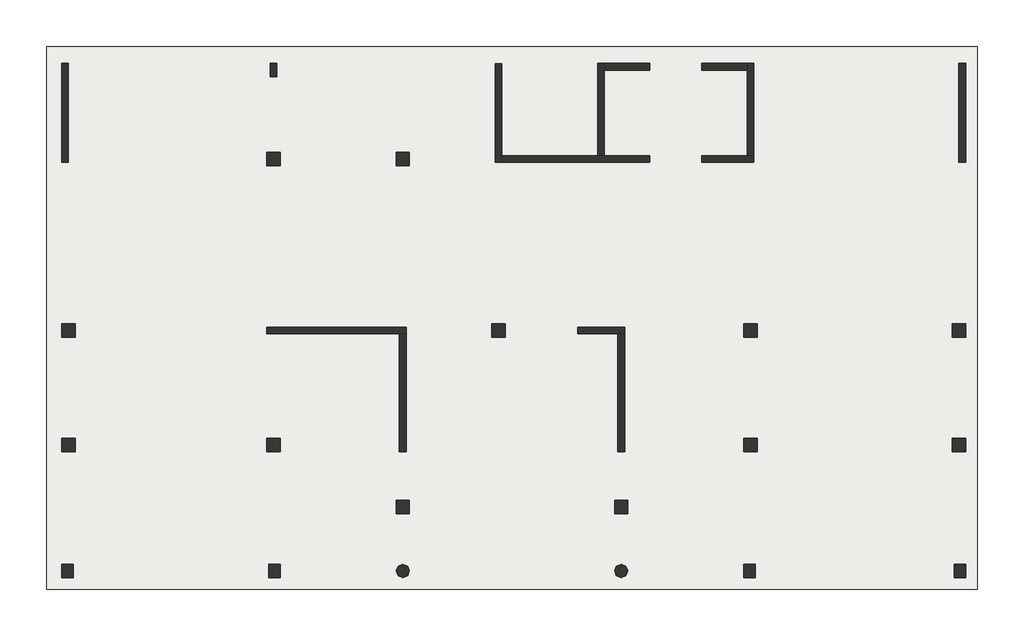
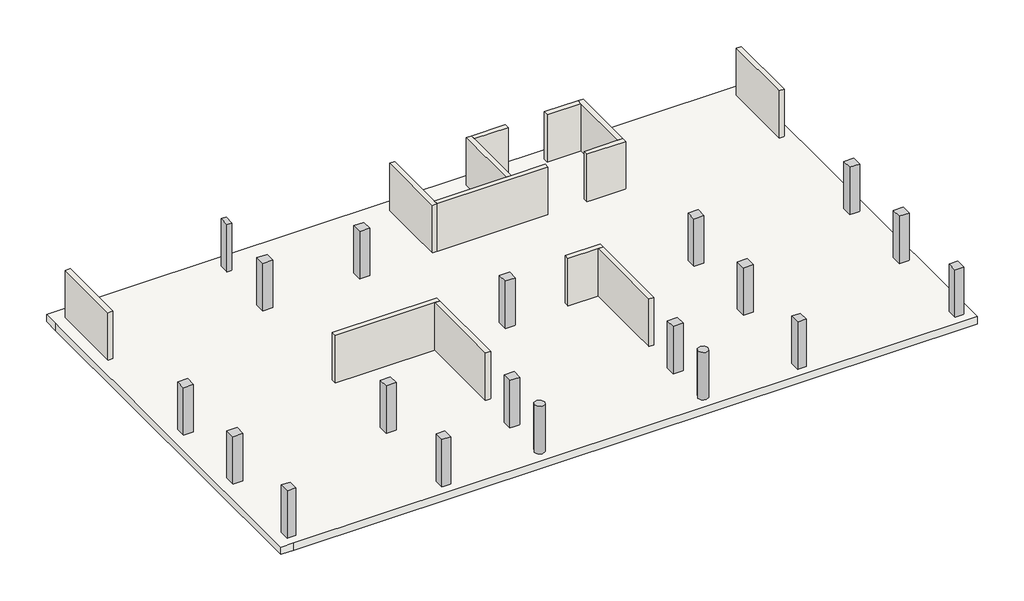
# One storey: 19 columns, 13 walls, 1 slab.
"""IFC4 building model written with IfcOpenShell, lengths in millimetres."""

from ifc_helpers import new_model, si_unit, point, frame, frame_2d, origin, origin_with_axes, place, context, project, spatial, polyline, circle_curve, trimmed, segment, composite_curve, outline, extrude, faceted_brep, element, save

model = new_model("IFC4")

# Units and contexts
model_context = context("Model", 3, world=origin())
ifc_project = project(units=[si_unit("LENGTHUNIT", "METRE", prefix="MILLI")], contexts=[model_context])

# Site, building, storey
site = spatial("IfcSite", under=ifc_project)
building = spatial("IfcBuilding", under=site)
storey = spatial("IfcBuildingStorey", under=building, Elevation=0.0)

# Columns
placement = place(None, origin())
element("IfcColumn", 1, ObjectType="M_Concrete-Rectangular-Column", at=placement, inside=storey, context=model_context, shape_type="SweptSolid", body=[
    extrude(outline(polyline([(18842.0300012, 37517.5759125), (18842.0300012, 36717.5759125), (18442.0300012, 36717.5759125), (18442.0300012, 37517.5759125), (18842.0300012, 37517.5759125)])), origin_with_axes(), (0.0, 0.0, 1.0), 4000.0),
])
element("IfcColumn", 2, ObjectType="M_Concrete-Rectangular-Column", at=placement, inside=storey, context=model_context, shape_type="SweptSolid", body=[
    extrude(outline(polyline([(19042.0300012, 32217.5759125), (19042.0300012, 31417.5759125), (18242.0300012, 31417.5759125), (18242.0300012, 32217.5759125), (19042.0300012, 32217.5759125)])), origin_with_axes(), (0.0, 0.0, 1.0), 4000.0),
])
element("IfcColumn", 3, ObjectType="M_Concrete-Rectangular-Column", at=placement, inside=storey, context=model_context, shape_type="SweptSolid", body=[
    extrude(outline(polyline([(26742.0300012, 32217.5759125), (26742.0300012, 31417.5759125), (25942.0300012, 31417.5759125), (25942.0300012, 32217.5759125), (26742.0300012, 32217.5759125)])), origin_with_axes(), (0.0, 0.0, 1.0), 4000.0),
])
element("IfcColumn", 4, ObjectType="M_Concrete-Rectangular-Column", at=placement, inside=storey, context=model_context, shape_type="SweptSolid", body=[
    extrude(outline(polyline([(6842.0300012, 22017.5759125), (6842.0300012, 21217.5759125), (6042.0300012, 21217.5759125), (6042.0300012, 22017.5759125), (6842.0300012, 22017.5759125)])), origin_with_axes(), (0.0, 0.0, 1.0), 4000.0),
])
element("IfcColumn", 5, ObjectType="M_Concrete-Rectangular-Column", at=placement, inside=storey, context=model_context, shape_type="SweptSolid", body=[
    extrude(outline(polyline([(32442.0300012, 22017.5759125), (32442.0300012, 21217.5759125), (31642.0300012, 21217.5759125), (31642.0300012, 22017.5759125), (32442.0300012, 22017.5759125)])), origin_with_axes(), (0.0, 0.0, 1.0), 4000.0),
])
element("IfcColumn", 6, ObjectType="M_Concrete-Rectangular-Column", at=placement, inside=storey, context=model_context, shape_type="SweptSolid", body=[
    extrude(outline(polyline([(47442.0300012, 22017.5759125), (47442.0300012, 21217.5759125), (46642.0300012, 21217.5759125), (46642.0300012, 22017.5759125), (47442.0300012, 22017.5759125)])), origin_with_axes(), (0.0, 0.0, 1.0), 4000.0),
])
element("IfcColumn", 7, ObjectType="M_Concrete-Rectangular-Column", at=placement, inside=storey, context=model_context, shape_type="SweptSolid", body=[
    extrude(outline(polyline([(59842.0300012, 22017.5759125), (59842.0300012, 21217.5759125), (59042.0300012, 21217.5759125), (59042.0300012, 22017.5759125), (59842.0300012, 22017.5759125)])), origin_with_axes(), (0.0, 0.0, 1.0), 4000.0),
])
element("IfcColumn", 8, ObjectType="M_Concrete-Rectangular-Column", at=placement, inside=storey, context=model_context, shape_type="SweptSolid", body=[
    extrude(outline(polyline([(6842.0300012, 15217.5759125), (6842.0300012, 14417.5759125), (6042.0300012, 14417.5759125), (6042.0300012, 15217.5759125), (6842.0300012, 15217.5759125)])), origin_with_axes(), (0.0, 0.0, 1.0), 4000.0),
])
element("IfcColumn", 9, ObjectType="M_Concrete-Rectangular-Column", at=placement, inside=storey, context=model_context, shape_type="SweptSolid", body=[
    extrude(outline(polyline([(19042.0300012, 15217.5759125), (19042.0300012, 14417.5759125), (18242.0300012, 14417.5759125), (18242.0300012, 15217.5759125), (19042.0300012, 15217.5759125)])), origin_with_axes(), (0.0, 0.0, 1.0), 4000.0),
])
element("IfcColumn", 10, ObjectType="M_Concrete-Rectangular-Column", at=placement, inside=storey, context=model_context, shape_type="SweptSolid", body=[
    extrude(outline(polyline([(47442.0300012, 15217.5759125), (47442.0300012, 14417.5759125), (46642.0300012, 14417.5759125), (46642.0300012, 15217.5759125), (47442.0300012, 15217.5759125)])), origin_with_axes(), (0.0, 0.0, 1.0), 4000.0),
])
element("IfcColumn", 11, ObjectType="M_Concrete-Rectangular-Column", at=placement, inside=storey, context=model_context, shape_type="SweptSolid", body=[
    extrude(outline(polyline([(59842.0300012, 15217.5759125), (59842.0300012, 14417.5759125), (59042.0300012, 14417.5759125), (59042.0300012, 15217.5759125), (59842.0300012, 15217.5759125)])), origin_with_axes(), (0.0, 0.0, 1.0), 4000.0),
])
element("IfcColumn", 12, ObjectType="M_Concrete-Rectangular-Column", at=placement, inside=storey, context=model_context, shape_type="SweptSolid", body=[
    extrude(outline(polyline([(26742.0300012, 11517.5759125), (26742.0300012, 10717.5759125), (25942.0300012, 10717.5759125), (25942.0300012, 11517.5759125), (26742.0300012, 11517.5759125)])), origin_with_axes(), (0.0, 0.0, 1.0), 4000.0),
])
element("IfcColumn", 13, ObjectType="M_Concrete-Rectangular-Column", at=placement, inside=storey, context=model_context, shape_type="SweptSolid", body=[
    extrude(outline(polyline([(39742.0300012, 11517.5759125), (39742.0300012, 10717.5759125), (38942.0300012, 10717.5759125), (38942.0300012, 11517.5759125), (39742.0300012, 11517.5759125)])), origin_with_axes(), (0.0, 0.0, 1.0), 4000.0),
])
element("IfcColumn", 14, ObjectType="M_Concrete-Rectangular-Column", at=placement, inside=storey, context=model_context, shape_type="Brep", body=[
    faceted_brep([(6732.0300012, 7717.5759125, 0.0), (6732.0300012, 6917.5759125, 0.0), (6032.0300012, 6917.5759125, 0.0), (6032.0300012, 7717.5759125, 0.0), (6732.0300012, 7717.5759125, 4000.0), (6732.0300012, 6917.5759125, 4000.0), (6032.0300012, 6917.5759125, 4000.0), (6032.0300012, 7717.5759125, 4000.0), (6042.0300012, 7717.5759125, 4000.0), (6442.0300012, 7717.5759125, 4000.0)], [[[0, 1, 2, 3]], [[4, 5, 1, 0]], [[5, 6, 2, 1]], [[6, 7, 3, 2]], [[7, 8, 9, 4, 0, 3]], [[4, 9, 8, 7, 6, 5]]]),
])
element("IfcColumn", 15, ObjectType="M_Concrete-Rectangular-Column", at=placement, inside=storey, context=model_context, shape_type="SweptSolid", body=[
    extrude(outline(polyline([(19052.0300012, 7717.5759125), (19052.0300012, 6917.5759125), (18352.0300012, 6917.5759125), (18352.0300012, 7717.5759125), (19052.0300012, 7717.5759125)])), origin_with_axes(), (0.0, 0.0, 1.0), 4000.0),
])
element("IfcColumn", 16, ObjectType="M_Concrete-Rectangular-Column", at=placement, inside=storey, context=model_context, shape_type="SweptSolid", body=[
    extrude(outline(polyline([(59852.0300012, 7717.5759125), (59852.0300012, 6917.5759125), (59152.0300012, 6917.5759125), (59152.0300012, 7717.5759125), (59852.0300012, 7717.5759125)])), origin_with_axes(), (0.0, 0.0, 1.0), 4000.0),
])
element("IfcColumn", 17, ObjectType="M_Concrete-Rectangular-Column", at=placement, inside=storey, context=model_context, shape_type="SweptSolid", body=[
    extrude(outline(polyline([(47332.0300012, 7717.5759125), (47332.0300012, 6917.5759125), (46632.0300012, 6917.5759125), (46632.0300012, 7717.5759125), (47332.0300012, 7717.5759125)])), origin_with_axes(), (0.0, 0.0, 1.0), 4000.0),
])
element("IfcColumn", 18, ObjectType="M_Concrete-Round-Column : CR 80 cm", at=placement, inside=storey, context=model_context, shape_type="SweptSolid", body=[
    extrude(outline(composite_curve([segment(trimmed(circle_curve(frame_2d((26342.0300012, 7317.5759125)), 400.0), [point((25942.0300012, 7317.5759125))], [point((26742.0300012, 7317.5759125))], False, "CARTESIAN"), True, "CONTINUOUS"), segment(trimmed(circle_curve(frame_2d((26342.0300012, 7317.5759125)), 400.0), [point((26742.0300012, 7317.5759125))], [point((25942.0300012, 7317.5759125))], False, "CARTESIAN"), True, "CONTINUOUS")], self_intersect=False)), origin_with_axes(), (0.0, 0.0, 1.0), 4000.0),
])
element("IfcColumn", 19, ObjectType="M_Concrete-Round-Column : CR 80 cm", at=placement, inside=storey, context=model_context, shape_type="SweptSolid", body=[
    extrude(outline(composite_curve([segment(trimmed(circle_curve(frame_2d((39342.0300012, 7317.5759125)), 400.0), [point((38942.0300012, 7317.5759125))], [point((39742.0300012, 7317.5759125))], False, "CARTESIAN"), True, "CONTINUOUS"), segment(trimmed(circle_curve(frame_2d((39342.0300012, 7317.5759125)), 400.0), [point((39742.0300012, 7317.5759125))], [point((38942.0300012, 7317.5759125))], False, "CARTESIAN"), True, "CONTINUOUS")], self_intersect=False)), origin_with_axes(), (0.0, 0.0, 1.0), 4000.0),
])

# Slab
element("IfcSlab", 20, at=placement, inside=storey, context=model_context, shape_type="SweptSolid", body=[
    extrude(outline(polyline([(59542.0300012, 38517.5759125), (60542.0300012, 38517.5759125), (60542.0300012, 7217.5759125), (60542.0300012, 6217.5759125), (6142.0300012, 6217.5759125), (5142.0300012, 6217.5759125), (5142.0300012, 37217.5759125), (5142.0300012, 38517.5759125), (59542.0300012, 38517.5759125)])), frame((0.0, 0.0, -600.0), z_axis=(0.0, 0.0, 1.0), x_axis=(1.0, 0.0, 0.0)), (0.0, 0.0, 1.0), 600.0),
])

# Walls
element("IfcWall", 21, ObjectType="P 40 cm", at=placement, inside=storey, context=model_context, shape_type="SweptSolid", body=[
    extrude(outline(polyline([(6042.0300012, 31617.5759125), (6042.0300012, 37517.5759125), (6442.0300012, 37517.5759125), (6442.0300012, 31617.5759125), (6042.0300012, 31617.5759125)])), origin_with_axes(), (0.0, 0.0, 1.0), 4000.0),
])
element("IfcWall", 22, ObjectType="P 40 cm", at=placement, inside=storey, context=model_context, shape_type="Brep", body=[
    faceted_brep([(31842.0300012, 37502.9312516, 0.0), (31842.0300012, 31617.5759125, 0.0), (31842.0300012, 31617.5759125, 4000.0), (31842.0300012, 37502.9312516, 4000.0), (32242.0300012, 37502.9312516, 0.0), (32242.0300012, 37502.9312516, 4000.0), (32242.0300012, 32017.5759125, 4000.0), (32242.0300012, 31617.5759125, 4000.0), (32242.0300012, 31617.5759125, 0.0), (32242.0300012, 32017.5759125, 0.0)], [[[0, 1, 2, 3]], [[4, 5, 6, 7, 8, 9]], [[1, 0, 4, 9, 8]], [[3, 2, 7, 6, 5]], [[0, 3, 5, 4]], [[2, 1, 8, 7]]]),
])
element("IfcWall", 23, ObjectType="P 40 cm", at=placement, inside=storey, context=model_context, shape_type="Brep", body=[
    faceted_brep([(32242.0300012, 31617.5759125, 0.0), (41042.0300012, 31617.5759125, 0.0), (41042.0300012, 31617.5759125, 4000.0), (32242.0300012, 31617.5759125, 4000.0), (32242.0300012, 32017.5759125, 0.0), (32242.0300012, 32017.5759125, 4000.0), (37942.0300012, 32017.5759125, 4000.0), (38342.0300012, 32017.5759125, 4000.0), (41042.0300012, 32017.5759125, 4000.0), (41042.0300012, 32017.5759125, 0.0), (38342.0300012, 32017.5759125, 0.0), (37942.0300012, 32017.5759125, 0.0)], [[[0, 1, 2, 3]], [[4, 5, 6, 7, 8, 9, 10, 11]], [[1, 0, 4, 11, 10, 9]], [[2, 1, 9, 8]], [[3, 2, 8, 7, 6, 5]], [[0, 3, 5, 4]]]),
])
element("IfcWall", 24, ObjectType="P 40 cm", at=placement, inside=storey, context=model_context, shape_type="Brep", body=[
    faceted_brep([(38342.0300012, 32017.5759125, 0.0), (38342.0300012, 37117.5759125, 0.0), (38342.0300012, 37517.5759125, 0.0), (38342.0300012, 37517.5759125, 4000.0), (38342.0300012, 37117.5759125, 4000.0), (38342.0300012, 32017.5759125, 4000.0), (37942.0300012, 32017.5759125, 0.0), (37942.0300012, 32017.5759125, 4000.0), (37942.0300012, 37517.5759125, 4000.0), (37942.0300012, 37517.5759125, 0.0)], [[[0, 1, 2, 3, 4, 5]], [[6, 7, 8, 9]], [[2, 1, 0, 6, 9]], [[5, 4, 3, 8, 7]], [[0, 5, 7, 6]], [[3, 2, 9, 8]]]),
])
element("IfcWall", 25, ObjectType="P 40 cm", at=placement, inside=storey, context=model_context, shape_type="SweptSolid", body=[
    extrude(outline(polyline([(41042.0300012, 37117.5759125), (38342.0300012, 37117.5759125), (38342.0300012, 37517.5759125), (41042.0300012, 37517.5759125), (41042.0300012, 37117.5759125)])), origin_with_axes(), (0.0, 0.0, 1.0), 4000.0),
])
element("IfcWall", 26, ObjectType="P 40 cm", at=placement, inside=storey, context=model_context, shape_type="Brep", body=[
    faceted_brep([(44142.0300012, 31617.5759125, 0.0), (47242.0300012, 31617.5759125, 0.0), (47242.0300012, 31617.5759125, 3000.0), (47242.0300012, 31617.5759125, 4000.0), (44142.0300012, 31617.5759125, 4000.0), (44142.0300012, 32017.5759125, 0.0), (44142.0300012, 32017.5759125, 4000.0), (46842.0300012, 32017.5759125, 4000.0), (47242.0300012, 32017.5759125, 4000.0), (47242.0300012, 32017.5759125, 3000.0), (47242.0300012, 32017.5759125, 0.0), (46842.0300012, 32017.5759125, 0.0)], [[[0, 1, 2, 3, 4]], [[5, 6, 7, 8, 9, 10, 11]], [[1, 0, 5, 11, 10]], [[4, 3, 8, 7, 6]], [[0, 4, 6, 5]], [[3, 2, 1, 10, 9, 8]]]),
])
element("IfcWall", 27, ObjectType="P 40 cm", at=placement, inside=storey, context=model_context, shape_type="Brep", body=[
    faceted_brep([(47242.0300012, 32017.5759125, 0.0), (47242.0300012, 37517.5759125, 0.0), (47242.0300012, 37517.5759125, 4000.0), (47242.0300012, 32017.5759125, 4000.0), (46842.0300012, 32017.5759125, 0.0), (46842.0300012, 32017.5759125, 4000.0), (46842.0300012, 37117.5759125, 4000.0), (46842.0300012, 37517.5759125, 4000.0), (46842.0300012, 37517.5759125, 0.0), (46842.0300012, 37117.5759125, 0.0)], [[[0, 1, 2, 3]], [[4, 5, 6, 7, 8, 9]], [[1, 0, 4, 9, 8]], [[3, 2, 7, 6, 5]], [[0, 3, 5, 4]], [[2, 1, 8, 7]]]),
])
element("IfcWall", 28, ObjectType="P 40 cm", at=placement, inside=storey, context=model_context, shape_type="SweptSolid", body=[
    extrude(outline(polyline([(44142.0300012, 37517.5759125), (46842.0300012, 37517.5759125), (46842.0300012, 37117.5759125), (44142.0300012, 37117.5759125), (44142.0300012, 37517.5759125)])), origin_with_axes(), (0.0, 0.0, 1.0), 4000.0),
])
element("IfcWall", 29, ObjectType="P 40 cm", at=placement, inside=storey, context=model_context, shape_type="SweptSolid", body=[
    extrude(outline(polyline([(59442.0300012, 31617.5759125), (59442.0300012, 37517.5759125), (59842.0300012, 37517.5759125), (59842.0300012, 31617.5759125), (59442.0300012, 31617.5759125)])), origin_with_axes(), (0.0, 0.0, 1.0), 4000.0),
])
element("IfcWall", 30, ObjectType="P 40 cm", at=placement, inside=storey, context=model_context, shape_type="Brep", body=[
    faceted_brep([(18242.0300012, 21417.5759125, 0.0), (26142.0300012, 21417.5759125, 0.0), (26542.0300012, 21417.5759125, 0.0), (26542.0300012, 21417.5759125, 3000.0), (26542.0300012, 21417.5759125, 4000.0), (26142.0300012, 21417.5759125, 4000.0), (18242.0300012, 21417.5759125, 4000.0), (18242.0300012, 21417.5759125, 3000.0), (18242.0300012, 21817.5759125, 0.0), (18242.0300012, 21817.5759125, 3000.0), (18242.0300012, 21817.5759125, 4000.0), (26542.0300012, 21817.5759125, 4000.0), (26542.0300012, 21817.5759125, 3000.0), (26542.0300012, 21817.5759125, 0.0)], [[[0, 1, 2, 3, 4, 5, 6, 7]], [[8, 9, 10, 11, 12, 13]], [[2, 1, 0, 8, 13]], [[6, 5, 4, 11, 10]], [[0, 7, 6, 10, 9, 8]], [[4, 3, 2, 13, 12, 11]]]),
])
element("IfcWall", 31, ObjectType="P 40 cm", at=placement, inside=storey, context=model_context, shape_type="SweptSolid", body=[
    extrude(outline(polyline([(26542.0300012, 21417.5759125), (26542.0300012, 14417.5759125), (26142.0300012, 14417.5759125), (26142.0300012, 21417.5759125), (26542.0300012, 21417.5759125)])), origin_with_axes(), (0.0, 0.0, 1.0), 4000.0),
])
element("IfcWall", 32, ObjectType="P 40 cm", at=placement, inside=storey, context=model_context, shape_type="Brep", body=[
    faceted_brep([(36742.0300012, 21417.5759125, 0.0), (39142.0300012, 21417.5759125, 0.0), (39542.0300012, 21417.5759125, 0.0), (39542.0300012, 21417.5759125, 3000.0), (39542.0300012, 21417.5759125, 4000.0), (39142.0300012, 21417.5759125, 4000.0), (36742.0300012, 21417.5759125, 4000.0), (36742.0300012, 21417.5759125, 3000.0), (36742.0300012, 21817.5759125, 0.0), (36742.0300012, 21817.5759125, 3000.0), (36742.0300012, 21817.5759125, 4000.0), (39542.0300012, 21817.5759125, 4000.0), (39542.0300012, 21817.5759125, 3000.0), (39542.0300012, 21817.5759125, 0.0)], [[[0, 1, 2, 3, 4, 5, 6, 7]], [[8, 9, 10, 11, 12, 13]], [[2, 1, 0, 8, 13]], [[6, 5, 4, 11, 10]], [[0, 7, 6, 10, 9, 8]], [[4, 3, 2, 13, 12, 11]]]),
])
element("IfcWall", 33, ObjectType="P 40 cm", at=placement, inside=storey, context=model_context, shape_type="SweptSolid", body=[
    extrude(outline(polyline([(39542.0300012, 21417.5759125), (39542.0300012, 14417.5759125), (39142.0300012, 14417.5759125), (39142.0300012, 21417.5759125), (39542.0300012, 21417.5759125)])), origin_with_axes(), (0.0, 0.0, 1.0), 4000.0),
])

save(model, "model.ifc")
